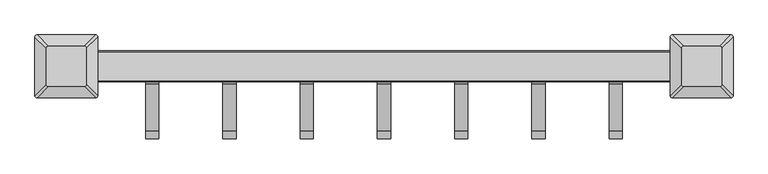
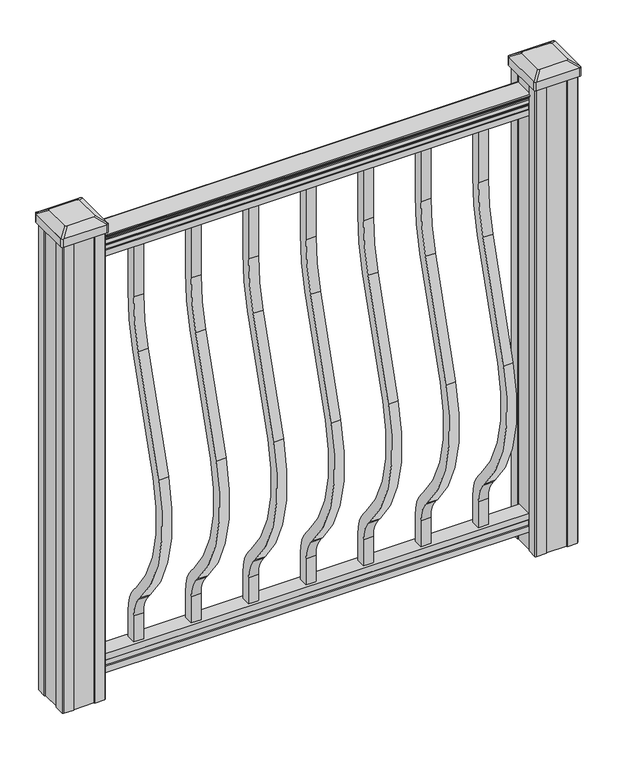
"""IFC4 building model written with IfcOpenShell, lengths in millimetres: proxy geometry."""

import ifcopenshell
import ifcopenshell.guid

model = None  # the IFC model being written
_history = None  # IfcOwnerHistory: only IFC2X3 demands one
_inside = {}  # id of a spatial element -> (the spatial element, [elements in it])
_under = {}  # id of a project, library or spatial element -> (it, [spatial elements below it])
_declared = {}  # id of a project -> (the project, [libraries it declares])
_typed = {}  # id of a type object -> (the type object, [elements of that type])
_made_of = {}  # id of a material, layer set ... -> (it, [elements and type objects made of it])


def new_model(schema):
    """Start an empty IFC model of exactly this schema.

    Asked for "IFC4X3", IfcOpenShell would pick the latest addendum, in which some entities
    have other attributes; the version numbers below select the first issue.
    IFC2X3 requires an IfcOwnerHistory on every rooted entity: one is made here for all.
    """
    global model, _history
    if schema == "IFC4X3":
        model = ifcopenshell.file(schema_version=(4, 3, 0, 0))
    else:
        model = ifcopenshell.file(schema=schema)
    _inside.clear()
    _under.clear()
    _declared.clear()
    _typed.clear()
    _made_of.clear()
    _history = None
    if model.schema == "IFC2X3":
        org = make("IfcOrganization", Name="unknown")
        user = make(
            "IfcPersonAndOrganization",
            ThePerson=make("IfcPerson", FamilyName="unknown"),
            TheOrganization=org,
        )
        app = make(
            "IfcApplication",
            ApplicationDeveloper=org,
            Version="unknown",
            ApplicationFullName="unknown",
            ApplicationIdentifier="unknown",
        )
        _history = make(
            "IfcOwnerHistory",
            OwningUser=user,
            OwningApplication=app,
            ChangeAction="ADDED",
            CreationDate=0,
        )
    return model


def make(cls, **values):
    """One entity of the class cls with the attributes given. An attribute that is None is left unset."""
    return model.create_entity(
        cls, **{name: value for name, value in values.items() if value is not None}
    )


def rooted(cls, **values):
    """An entity with a GlobalId (a new one), such as an element, a storey or a relation."""
    return make(cls, GlobalId=ifcopenshell.guid.new(), OwnerHistory=_history, **values)


def si_unit(unit_type, name, prefix=None):
    """IfcSIUnit, for example si_unit("LENGTHUNIT", "METRE", prefix="MILLI")."""
    return make("IfcSIUnit", UnitType=unit_type, Prefix=prefix, Name=name)


def assignment(units):
    """IfcUnitAssignment: the units of a project."""
    return None if units is None else make("IfcUnitAssignment", Units=units)


def point(xyz):
    """IfcCartesianPoint."""
    return None if xyz is None else make("IfcCartesianPoint", Coordinates=xyz)


def direction(xyz):
    """IfcDirection."""
    return None if xyz is None else make("IfcDirection", DirectionRatios=xyz)


def frame(location, z_axis=None, x_axis=None):
    """IfcAxis2Placement3D, a coordinate frame: its origin and axes. An axis left out is left unset."""
    return make(
        "IfcAxis2Placement3D",
        Location=point(location),
        Axis=direction(z_axis),
        RefDirection=direction(x_axis),
    )


def frame_2d(location, x_axis=None):
    """IfcAxis2Placement2D, a coordinate frame in the plane: its origin and x axis."""
    return make(
        "IfcAxis2Placement2D", Location=point(location), RefDirection=direction(x_axis)
    )


def origin():
    """The frame at (0, 0, 0) with its axes left unset."""
    return frame((0.0, 0.0, 0.0))


def place(relative_to, where):
    """IfcLocalPlacement: puts the frame where relative to a parent placement (None: the world)."""
    return make(
        "IfcLocalPlacement", PlacementRelTo=relative_to, RelativePlacement=where
    )


def context(
    kind, dimensions, precision=None, world=None, true_north=None, identifier=None
):
    """IfcGeometricRepresentationContext, for example the 3D "Model" context."""
    return make(
        "IfcGeometricRepresentationContext",
        ContextIdentifier=identifier,
        ContextType=kind,
        CoordinateSpaceDimension=dimensions,
        Precision=precision,
        WorldCoordinateSystem=world,
        TrueNorth=true_north,
    )


def project(units=None, contexts=None):
    """IfcProject with its units and contexts."""
    return rooted(
        "IfcProject",
        Name="project",
        RepresentationContexts=contexts,
        UnitsInContext=assignment(units),
    )


def spatial(cls, under=None, at=None, **own):
    """A site, building, storey or space (cls), placed at a placement, below another one or the project."""
    s = rooted(cls, ObjectPlacement=at, **own)
    if under is not None:
        _under.setdefault(under.id(), (under, []))[1].append(s)
    return s


def polyline(points):
    """IfcPolyline through the points."""
    return make("IfcPolyline", Points=[point(p) for p in points])


def circle_curve(where, radius):
    """IfcCircle in the frame where."""
    return make("IfcCircle", Position=where, Radius=radius)


def trimmed(basis, trim1, trim2, sense, master):
    """IfcTrimmedCurve: the piece of a basis curve between two trims."""
    return make(
        "IfcTrimmedCurve",
        BasisCurve=basis,
        Trim1=trim1,
        Trim2=trim2,
        SenseAgreement=sense,
        MasterRepresentation=master,
    )


def segment(curve, same_sense, transition):
    """IfcCompositeCurveSegment."""
    return make(
        "IfcCompositeCurveSegment",
        Transition=transition,
        SameSense=same_sense,
        ParentCurve=curve,
    )


def composite_curve(segments, self_intersect=None):
    """IfcCompositeCurve: segments joined end to end."""
    return make("IfcCompositeCurve", Segments=segments, SelfIntersect=self_intersect)


def outline(outer, holes=None, kind="AREA"):
    """IfcArbitraryClosedProfileDef: a profile drawn as a closed curve; with holes, ...WithVoids."""
    if holes is None:
        return make("IfcArbitraryClosedProfileDef", ProfileType=kind, OuterCurve=outer)
    return make(
        "IfcArbitraryProfileDefWithVoids",
        ProfileType=kind,
        OuterCurve=outer,
        InnerCurves=holes,
    )


def extrude(swept, where, along, depth):
    """IfcExtrudedAreaSolid: the profile swept, set in the frame where, extruded along a direction by depth."""
    return make(
        "IfcExtrudedAreaSolid",
        SweptArea=swept,
        Position=where,
        ExtrudedDirection=direction(along),
        Depth=depth,
    )


def shape(context_of_items, identifier, shape_type, items):
    """IfcShapeRepresentation: the items that make up one representation, for example the "Body"."""
    return make(
        "IfcShapeRepresentation",
        ContextOfItems=context_of_items,
        RepresentationIdentifier=identifier,
        RepresentationType=shape_type,
        Items=items,
    )


def source(mapping_origin, context_of_items, identifier, shape_type, items):
    """IfcRepresentationMap: a shape defined once, which mapped items show again and again."""
    return make(
        "IfcRepresentationMap",
        MappingOrigin=mapping_origin,
        MappedRepresentation=shape(context_of_items, identifier, shape_type, items),
    )


def transform(
    local_origin,
    x_axis=None,
    y_axis=None,
    z_axis=None,
    scale=None,
    scale2=None,
    scale3=None,
    uniform=True,
):
    """IfcCartesianTransformationOperator3D, or its non-uniform kind. x_axis, y_axis, z_axis: its Axis1, 2, 3."""
    if uniform:
        return make(
            "IfcCartesianTransformationOperator3D",
            Axis1=direction(x_axis),
            Axis2=direction(y_axis),
            LocalOrigin=point(local_origin),
            Scale=scale,
            Axis3=direction(z_axis),
        )
    return make(
        "IfcCartesianTransformationOperator3DnonUniform",
        Axis1=direction(x_axis),
        Axis2=direction(y_axis),
        LocalOrigin=point(local_origin),
        Scale=scale,
        Axis3=direction(z_axis),
        Scale2=scale2,
        Scale3=scale3,
    )


def mapped(mapping_source, mapping_target):
    """IfcMappedItem: shows the shape of a source again, moved by a transform."""
    return make(
        "IfcMappedItem", MappingSource=mapping_source, MappingTarget=mapping_target
    )


def made_of(thing, what):
    """Note that an element or type object is made of a material, layer set ...; save() writes the relation."""
    if what is not None:
        _made_of.setdefault(what.id(), (what, []))[1].append(thing)
    return thing


def element(
    cls,
    number,
    at=None,
    inside=None,
    cuts=None,
    type_object=None,
    material=None,
    context=None,
    identifier="Body",
    shape_type=None,
    held_by="IfcProductDefinitionShape",
    body=None,
    shapes=None,
    **own,
):
    """One element of the class cls, such as IfcWall. Its Tag is "e" and its number.

    at: its placement. inside: the storey or other place that contains it. cuts: it is an
    opening in that element (IfcRelVoidsElement). A single representation is given by context,
    identifier, shape_type and body (its items); several are given by shapes. held_by: the class
    of the entity that holds the representations. save() writes the other relations.
    """
    e = rooted(cls, Tag="e%d" % number, ObjectPlacement=at, **own)
    if body is not None:
        shapes = [shape(context, identifier, shape_type, body)]
    if shapes is not None:
        e.Representation = make(held_by, Representations=shapes)
    if inside is not None:
        _inside.setdefault(inside.id(), (inside, []))[1].append(e)
    if cuts is not None:
        rooted(
            "IfcRelVoidsElement", RelatingBuildingElement=cuts, RelatedOpeningElement=e
        )
    if type_object is not None:
        _typed.setdefault(type_object.id(), (type_object, []))[1].append(e)
    return made_of(e, material)


def aggregate(whole, parts):
    """IfcRelAggregates: a whole, such as a stair, and the parts it consists of."""
    return rooted("IfcRelAggregates", RelatingObject=whole, RelatedObjects=parts)


def save(model, path):
    """Write the relations noted so far, then the file.

    IfcRelAggregates (storeys below a building ...), IfcRelContainedInSpatialStructure (elements
    in a storey), IfcRelDefinesByType, IfcRelAssociatesMaterial and IfcRelDeclares: one each for
    every whole, place, type object, material and project.
    """
    for whole, parts in _under.values():
        aggregate(whole, parts)
    for where, things in _inside.values():
        rooted(
            "IfcRelContainedInSpatialStructure",
            RelatedElements=things,
            RelatingStructure=where,
        )
    for kind, things in _typed.values():
        rooted("IfcRelDefinesByType", RelatedObjects=things, RelatingType=kind)
    for what, things in _made_of.values():
        rooted("IfcRelAssociatesMaterial", RelatedObjects=things, RelatingMaterial=what)
    for by, libraries in _declared.values():
        rooted("IfcRelDeclares", RelatingContext=by, RelatedDefinitions=libraries)
    model.write(path)


def plane_surface(at):
    """IfcPlane: the flat surface through the origin of the frame at, square to its z axis."""
    return make("IfcPlane", Position=at)


def extruded_surface(curve, direction_of_extrusion, depth):
    """IfcSurfaceOfLinearExtrusion: the curve pushed along a direction by depth."""
    return make(
        "IfcSurfaceOfLinearExtrusion",
        SweptCurve=make("IfcArbitraryOpenProfileDef", ProfileType="CURVE", Curve=curve),
        ExtrudedDirection=direction(direction_of_extrusion),
        Depth=depth,
    )


def advanced_brep(points, edges, surfaces, faces):
    """IfcAdvancedBrep: a solid bounded by faces that lie on surfaces and meet in shared edges.

    An edge is (start, end): straight between two places in points (the first is 0);
    or (start, end, curve); or (start, end, curve, False) where it runs against its curve.
    A face is (place in surfaces, loops), or (place, loops, False) where it looks against
    its surface's normal. A loop lists edges by number (the first is 1), with a minus sign
    where the edge is run from its end to its start. The first loop is the outer one.
    """
    corners = [point(p) for p in points]
    vertices = [make("IfcVertexPoint", VertexGeometry=c) for c in corners]
    made = []
    for start, end, *more in edges:
        made.append(
            make(
                "IfcEdgeCurve",
                EdgeStart=vertices[start],
                EdgeEnd=vertices[end],
                EdgeGeometry=more[0] if more else make("IfcPolyline", Points=[corners[start], corners[end]]),
                SameSense=more[1] if len(more) > 1 else True,
            )
        )
    hull = []
    for where, loops, *sense in faces:
        bounds = []
        for j, loop in enumerate(loops):
            ring = [make("IfcOrientedEdge", EdgeElement=made[abs(k) - 1], Orientation=k > 0) for k in loop]
            bounds.append(
                make(
                    "IfcFaceOuterBound" if j == 0 else "IfcFaceBound",
                    Bound=make("IfcEdgeLoop", EdgeList=ring),
                    Orientation=True,
                )
            )
        hull.append(make("IfcAdvancedFace", Bounds=bounds, FaceSurface=surfaces[where], SameSense=sense[0] if sense else True))
    return make("IfcAdvancedBrep", Outer=make("IfcClosedShell", CfsFaces=hull))


def specialty_equipment_578fed3c(model_context):
    return source(origin(), model_context, "Body", "SolidModel", [
        extrude(outline(composite_curve([segment(polyline([(9.525, 914.4), (9.525, 806.73216)]), True, "CONTINUOUS"), segment(trimmed(circle_curve(frame_2d((-360.0, 806.73216)), 369.525), [point((9.525, 806.73216))], [point((-6.6214851, 698.6935058))], False, "CARTESIAN"), True, "CONTINUOUS"), segment(polyline([(-6.6214851, 698.6935058), (-74.4487629, 476.8404766)]), True, "CONTINUOUS"), segment(trimmed(circle_curve(frame_2d((184.207766, 397.7612397)), 270.475), [point((-74.4487629, 476.8404766))], [point((-17.4747286, 217.5366659))], True, "CARTESIAN"), True, "CONTINUOUS"), segment(polyline([(-17.4747286, 217.5366659), (-11.9730553, 211.3799518)]), True, "CONTINUOUS"), segment(trimmed(circle_curve(frame_2d((-75.0, 155.0587313)), 84.525), [point((-11.9730553, 211.3799518))], [point((9.525, 155.0587313))], False, "CARTESIAN"), True, "CONTINUOUS"), segment(polyline([(9.525, 155.0587313), (9.525, 101.6), (-9.525, 101.6), (-9.525, 155.0587313)]), True, "CONTINUOUS"), segment(trimmed(circle_curve(frame_2d((-75.0, 155.0587313)), 65.475), [point((-9.525, 155.0587313))], [point((-26.1778858, 198.686438))], True, "CARTESIAN"), True, "CONTINUOUS"), segment(polyline([(-26.1778858, 198.686438), (-31.6795591, 204.8431522)]), True, "CONTINUOUS"), segment(trimmed(circle_curve(frame_2d((184.207766, 397.7612397)), 289.525), [point((-31.6795591, 204.8431522))], [point((-92.6663685, 482.4101576))], False, "CARTESIAN"), True, "CONTINUOUS"), segment(polyline([(-92.6663685, 482.4101576), (-24.8390907, 704.2631868)]), True, "CONTINUOUS"), segment(trimmed(circle_curve(frame_2d((-360.0, 806.73216)), 350.475), [point((-24.8390907, 704.2631868))], [point((-9.525, 806.73216))], True, "CARTESIAN"), True, "CONTINUOUS"), segment(polyline([(-9.525, 806.73216), (-9.525, 914.4), (9.525, 914.4)]), True, "CONTINUOUS")], self_intersect=False)), frame((212.725, 0.0, 0.0), z_axis=(1.0, 0.0, 0.0), x_axis=(0.0, 1.0, 0.0)), (0.0, 0.0, 1.0), 19.05),
        extrude(outline(composite_curve([segment(polyline([(9.525, 914.4), (9.525, 806.73216)]), True, "CONTINUOUS"), segment(trimmed(circle_curve(frame_2d((-360.0, 806.73216)), 369.525), [point((9.525, 806.73216))], [point((-6.6214851, 698.6935058))], False, "CARTESIAN"), True, "CONTINUOUS"), segment(polyline([(-6.6214851, 698.6935058), (-74.4487629, 476.8404766)]), True, "CONTINUOUS"), segment(trimmed(circle_curve(frame_2d((184.207766, 397.7612397)), 270.475), [point((-74.4487629, 476.8404766))], [point((-17.4747286, 217.5366659))], True, "CARTESIAN"), True, "CONTINUOUS"), segment(polyline([(-17.4747286, 217.5366659), (-11.9730553, 211.3799518)]), True, "CONTINUOUS"), segment(trimmed(circle_curve(frame_2d((-75.0, 155.0587313)), 84.525), [point((-11.9730553, 211.3799518))], [point((9.525, 155.0587313))], False, "CARTESIAN"), True, "CONTINUOUS"), segment(polyline([(9.525, 155.0587313), (9.525, 101.6), (-9.525, 101.6), (-9.525, 155.0587313)]), True, "CONTINUOUS"), segment(trimmed(circle_curve(frame_2d((-75.0, 155.0587313)), 65.475), [point((-9.525, 155.0587313))], [point((-26.1778858, 198.686438))], True, "CARTESIAN"), True, "CONTINUOUS"), segment(polyline([(-26.1778858, 198.686438), (-31.6795591, 204.8431522)]), True, "CONTINUOUS"), segment(trimmed(circle_curve(frame_2d((184.207766, 397.7612397)), 289.525), [point((-31.6795591, 204.8431522))], [point((-92.6663685, 482.4101576))], False, "CARTESIAN"), True, "CONTINUOUS"), segment(polyline([(-92.6663685, 482.4101576), (-24.8390907, 704.2631868)]), True, "CONTINUOUS"), segment(trimmed(circle_curve(frame_2d((-360.0, 806.73216)), 350.475), [point((-24.8390907, 704.2631868))], [point((-9.525, 806.73216))], True, "CARTESIAN"), True, "CONTINUOUS"), segment(polyline([(-9.525, 806.73216), (-9.525, 914.4), (9.525, 914.4)]), True, "CONTINUOUS")], self_intersect=False)), frame((101.6, 0.0, 0.0), z_axis=(1.0, 0.0, 0.0), x_axis=(0.0, 1.0, 0.0)), (0.0, 0.0, 1.0), 19.05),
        extrude(outline(composite_curve([segment(polyline([(9.525, 914.4), (9.525, 806.73216)]), True, "CONTINUOUS"), segment(trimmed(circle_curve(frame_2d((-360.0, 806.73216)), 369.525), [point((9.525, 806.73216))], [point((-6.6214851, 698.6935058))], False, "CARTESIAN"), True, "CONTINUOUS"), segment(polyline([(-6.6214851, 698.6935058), (-74.4487629, 476.8404766)]), True, "CONTINUOUS"), segment(trimmed(circle_curve(frame_2d((184.207766, 397.7612397)), 270.475), [point((-74.4487629, 476.8404766))], [point((-17.4747286, 217.5366659))], True, "CARTESIAN"), True, "CONTINUOUS"), segment(polyline([(-17.4747286, 217.5366659), (-11.9730553, 211.3799518)]), True, "CONTINUOUS"), segment(trimmed(circle_curve(frame_2d((-75.0, 155.0587313)), 84.525), [point((-11.9730553, 211.3799518))], [point((9.525, 155.0587313))], False, "CARTESIAN"), True, "CONTINUOUS"), segment(polyline([(9.525, 155.0587313), (9.525, 101.6), (-9.525, 101.6), (-9.525, 155.0587313)]), True, "CONTINUOUS"), segment(trimmed(circle_curve(frame_2d((-75.0, 155.0587313)), 65.475), [point((-9.525, 155.0587313))], [point((-26.1778858, 198.686438))], True, "CARTESIAN"), True, "CONTINUOUS"), segment(polyline([(-26.1778858, 198.686438), (-31.6795591, 204.8431522)]), True, "CONTINUOUS"), segment(trimmed(circle_curve(frame_2d((184.207766, 397.7612397)), 289.525), [point((-31.6795591, 204.8431522))], [point((-92.6663685, 482.4101576))], False, "CARTESIAN"), True, "CONTINUOUS"), segment(polyline([(-92.6663685, 482.4101576), (-24.8390907, 704.2631868)]), True, "CONTINUOUS"), segment(trimmed(circle_curve(frame_2d((-360.0, 806.73216)), 350.475), [point((-24.8390907, 704.2631868))], [point((-9.525, 806.73216))], True, "CARTESIAN"), True, "CONTINUOUS"), segment(polyline([(-9.525, 806.73216), (-9.525, 914.4), (9.525, 914.4)]), True, "CONTINUOUS")], self_intersect=False)), frame((-9.525, 0.0, 0.0), z_axis=(1.0, 0.0, 0.0), x_axis=(0.0, 1.0, 0.0)), (0.0, 0.0, 1.0), 19.05),
        extrude(outline(composite_curve([segment(polyline([(9.525, 914.4), (9.525, 806.73216)]), True, "CONTINUOUS"), segment(trimmed(circle_curve(frame_2d((-360.0, 806.73216)), 369.525), [point((9.525, 806.73216))], [point((-6.6214851, 698.6935058))], False, "CARTESIAN"), True, "CONTINUOUS"), segment(polyline([(-6.6214851, 698.6935058), (-74.4487629, 476.8404766)]), True, "CONTINUOUS"), segment(trimmed(circle_curve(frame_2d((184.207766, 397.7612397)), 270.475), [point((-74.4487629, 476.8404766))], [point((-17.4747286, 217.5366659))], True, "CARTESIAN"), True, "CONTINUOUS"), segment(polyline([(-17.4747286, 217.5366659), (-11.9730553, 211.3799518)]), True, "CONTINUOUS"), segment(trimmed(circle_curve(frame_2d((-75.0, 155.0587313)), 84.525), [point((-11.9730553, 211.3799518))], [point((9.525, 155.0587313))], False, "CARTESIAN"), True, "CONTINUOUS"), segment(polyline([(9.525, 155.0587313), (9.525, 101.6), (-9.525, 101.6), (-9.525, 155.0587313)]), True, "CONTINUOUS"), segment(trimmed(circle_curve(frame_2d((-75.0, 155.0587313)), 65.475), [point((-9.525, 155.0587313))], [point((-26.1778858, 198.686438))], True, "CARTESIAN"), True, "CONTINUOUS"), segment(polyline([(-26.1778858, 198.686438), (-31.6795591, 204.8431522)]), True, "CONTINUOUS"), segment(trimmed(circle_curve(frame_2d((184.207766, 397.7612397)), 289.525), [point((-31.6795591, 204.8431522))], [point((-92.6663685, 482.4101576))], False, "CARTESIAN"), True, "CONTINUOUS"), segment(polyline([(-92.6663685, 482.4101576), (-24.8390907, 704.2631868)]), True, "CONTINUOUS"), segment(trimmed(circle_curve(frame_2d((-360.0, 806.73216)), 350.475), [point((-24.8390907, 704.2631868))], [point((-9.525, 806.73216))], True, "CARTESIAN"), True, "CONTINUOUS"), segment(polyline([(-9.525, 806.73216), (-9.525, 914.4), (9.525, 914.4)]), True, "CONTINUOUS")], self_intersect=False)), frame((-120.65, 0.0, 0.0), z_axis=(1.0, 0.0, 0.0), x_axis=(0.0, 1.0, 0.0)), (0.0, 0.0, 1.0), 19.05),
        extrude(outline(composite_curve([segment(polyline([(9.525, 914.4), (9.525, 806.73216)]), True, "CONTINUOUS"), segment(trimmed(circle_curve(frame_2d((-360.0, 806.73216)), 369.525), [point((9.525, 806.73216))], [point((-6.6214851, 698.6935058))], False, "CARTESIAN"), True, "CONTINUOUS"), segment(polyline([(-6.6214851, 698.6935058), (-74.4487629, 476.8404766)]), True, "CONTINUOUS"), segment(trimmed(circle_curve(frame_2d((184.207766, 397.7612397)), 270.475), [point((-74.4487629, 476.8404766))], [point((-17.4747286, 217.5366659))], True, "CARTESIAN"), True, "CONTINUOUS"), segment(polyline([(-17.4747286, 217.5366659), (-11.9730553, 211.3799518)]), True, "CONTINUOUS"), segment(trimmed(circle_curve(frame_2d((-75.0, 155.0587313)), 84.525), [point((-11.9730553, 211.3799518))], [point((9.525, 155.0587313))], False, "CARTESIAN"), True, "CONTINUOUS"), segment(polyline([(9.525, 155.0587313), (9.525, 101.6), (-9.525, 101.6), (-9.525, 155.0587313)]), True, "CONTINUOUS"), segment(trimmed(circle_curve(frame_2d((-75.0, 155.0587313)), 65.475), [point((-9.525, 155.0587313))], [point((-26.1778858, 198.686438))], True, "CARTESIAN"), True, "CONTINUOUS"), segment(polyline([(-26.1778858, 198.686438), (-31.6795591, 204.8431522)]), True, "CONTINUOUS"), segment(trimmed(circle_curve(frame_2d((184.207766, 397.7612397)), 289.525), [point((-31.6795591, 204.8431522))], [point((-92.6663685, 482.4101576))], False, "CARTESIAN"), True, "CONTINUOUS"), segment(polyline([(-92.6663685, 482.4101576), (-24.8390907, 704.2631868)]), True, "CONTINUOUS"), segment(trimmed(circle_curve(frame_2d((-360.0, 806.73216)), 350.475), [point((-24.8390907, 704.2631868))], [point((-9.525, 806.73216))], True, "CARTESIAN"), True, "CONTINUOUS"), segment(polyline([(-9.525, 806.73216), (-9.525, 914.4), (9.525, 914.4)]), True, "CONTINUOUS")], self_intersect=False)), frame((-231.775, 0.0, 0.0), z_axis=(1.0, 0.0, 0.0), x_axis=(0.0, 1.0, 0.0)), (0.0, 0.0, 1.0), 19.05),
        extrude(outline(composite_curve([segment(polyline([(9.525, 914.4), (9.525, 806.73216)]), True, "CONTINUOUS"), segment(trimmed(circle_curve(frame_2d((-360.0, 806.73216)), 369.525), [point((9.525, 806.73216))], [point((-6.6214851, 698.6935058))], False, "CARTESIAN"), True, "CONTINUOUS"), segment(polyline([(-6.6214851, 698.6935058), (-74.4487629, 476.8404766)]), True, "CONTINUOUS"), segment(trimmed(circle_curve(frame_2d((184.207766, 397.7612397)), 270.475), [point((-74.4487629, 476.8404766))], [point((-17.4747286, 217.5366659))], True, "CARTESIAN"), True, "CONTINUOUS"), segment(polyline([(-17.4747286, 217.5366659), (-11.9730553, 211.3799518)]), True, "CONTINUOUS"), segment(trimmed(circle_curve(frame_2d((-75.0, 155.0587313)), 84.525), [point((-11.9730553, 211.3799518))], [point((9.525, 155.0587313))], False, "CARTESIAN"), True, "CONTINUOUS"), segment(polyline([(9.525, 155.0587313), (9.525, 101.6), (-9.525, 101.6), (-9.525, 155.0587313)]), True, "CONTINUOUS"), segment(trimmed(circle_curve(frame_2d((-75.0, 155.0587313)), 65.475), [point((-9.525, 155.0587313))], [point((-26.1778858, 198.686438))], True, "CARTESIAN"), True, "CONTINUOUS"), segment(polyline([(-26.1778858, 198.686438), (-31.6795591, 204.8431522)]), True, "CONTINUOUS"), segment(trimmed(circle_curve(frame_2d((184.207766, 397.7612397)), 289.525), [point((-31.6795591, 204.8431522))], [point((-92.6663685, 482.4101576))], False, "CARTESIAN"), True, "CONTINUOUS"), segment(polyline([(-92.6663685, 482.4101576), (-24.8390907, 704.2631868)]), True, "CONTINUOUS"), segment(trimmed(circle_curve(frame_2d((-360.0, 806.73216)), 350.475), [point((-24.8390907, 704.2631868))], [point((-9.525, 806.73216))], True, "CARTESIAN"), True, "CONTINUOUS"), segment(polyline([(-9.525, 806.73216), (-9.525, 914.4), (9.525, 914.4)]), True, "CONTINUOUS")], self_intersect=False)), frame((323.85, 0.0, 0.0), z_axis=(1.0, 0.0, 0.0), x_axis=(0.0, 1.0, 0.0)), (0.0, 0.0, 1.0), 19.05),
        extrude(outline(composite_curve([segment(polyline([(9.525, 914.4), (9.525, 806.73216)]), True, "CONTINUOUS"), segment(trimmed(circle_curve(frame_2d((-360.0, 806.73216)), 369.525), [point((9.525, 806.73216))], [point((-6.6214851, 698.6935058))], False, "CARTESIAN"), True, "CONTINUOUS"), segment(polyline([(-6.6214851, 698.6935058), (-74.4487629, 476.8404766)]), True, "CONTINUOUS"), segment(trimmed(circle_curve(frame_2d((184.207766, 397.7612397)), 270.475), [point((-74.4487629, 476.8404766))], [point((-17.4747286, 217.5366659))], True, "CARTESIAN"), True, "CONTINUOUS"), segment(polyline([(-17.4747286, 217.5366659), (-11.9730553, 211.3799518)]), True, "CONTINUOUS"), segment(trimmed(circle_curve(frame_2d((-75.0, 155.0587313)), 84.525), [point((-11.9730553, 211.3799518))], [point((9.525, 155.0587313))], False, "CARTESIAN"), True, "CONTINUOUS"), segment(polyline([(9.525, 155.0587313), (9.525, 101.6), (-9.525, 101.6), (-9.525, 155.0587313)]), True, "CONTINUOUS"), segment(trimmed(circle_curve(frame_2d((-75.0, 155.0587313)), 65.475), [point((-9.525, 155.0587313))], [point((-26.1778858, 198.686438))], True, "CARTESIAN"), True, "CONTINUOUS"), segment(polyline([(-26.1778858, 198.686438), (-31.6795591, 204.8431522)]), True, "CONTINUOUS"), segment(trimmed(circle_curve(frame_2d((184.207766, 397.7612397)), 289.525), [point((-31.6795591, 204.8431522))], [point((-92.6663685, 482.4101576))], False, "CARTESIAN"), True, "CONTINUOUS"), segment(polyline([(-92.6663685, 482.4101576), (-24.8390907, 704.2631868)]), True, "CONTINUOUS"), segment(trimmed(circle_curve(frame_2d((-360.0, 806.73216)), 350.475), [point((-24.8390907, 704.2631868))], [point((-9.525, 806.73216))], True, "CARTESIAN"), True, "CONTINUOUS"), segment(polyline([(-9.525, 806.73216), (-9.525, 914.4), (9.525, 914.4)]), True, "CONTINUOUS")], self_intersect=False)), frame((-342.9, 0.0, 0.0), z_axis=(1.0, 0.0, 0.0), x_axis=(0.0, 1.0, 0.0)), (0.0, 0.0, 1.0), 19.05),
        extrude(outline(composite_curve([segment(polyline([(938.4043297, 17.4328287), (940.292412, 17.4328287)]), True, "CONTINUOUS"), segment(trimmed(circle_curve(frame_2d((946.0506383, 11.1180755)), 8.545951), [point((940.292412, 17.4328287))], [point((941.8546695, 18.563015))], False, "CARTESIAN"), True, "CONTINUOUS"), segment(trimmed(circle_curve(frame_2d((945.4636577, 11.5551384)), 7.882584), [point((941.8546695, 18.563015))], [point((949.0726458, 18.563015))], False, "CARTESIAN"), True, "CONTINUOUS"), segment(trimmed(circle_curve(frame_2d((951.3112527, 22.0684625)), 4.1592695), [point((949.0726458, 18.563015))], [point((951.5060812, 17.9137586))], True, "CARTESIAN"), True, "CONTINUOUS"), segment(trimmed(circle_curve(frame_2d((951.2508864, 23.3557691)), 5.4479907), [point((951.5060812, 17.9137586))], [point((955.8362083, 20.4137586))], True, "CARTESIAN"), True, "CONTINUOUS"), segment(trimmed(circle_curve(frame_2d((955.833395, 22.1226107)), 1.7088543), [point((955.8362083, 20.4137586))], [point((957.5157972, 21.8231011))], True, "CARTESIAN"), True, "CONTINUOUS"), segment(trimmed(circle_curve(frame_2d((958.6205318, 20.5057106)), 1.7192895), [point((957.5157972, 21.8231011))], [point((958.6205318, 22.2250001))], False, "CARTESIAN"), True, "CONTINUOUS"), segment(polyline([(958.6205318, 22.2250001), (959.9608158, 22.225)]), True, "CONTINUOUS"), segment(trimmed(circle_curve(frame_2d((959.9608158, 20.6715528)), 1.5534472), [point((959.9608158, 22.225))], [point((961.514263, 20.6715528))], False, "CARTESIAN"), True, "CONTINUOUS"), segment(polyline([(961.514263, 20.6715528), (961.514263, -20.6715528)]), True, "CONTINUOUS"), segment(trimmed(circle_curve(frame_2d((959.9608158, -20.6715528)), 1.5534472), [point((961.514263, -20.6715528))], [point((959.9608158, -22.225))], False, "CARTESIAN"), True, "CONTINUOUS"), segment(polyline([(959.9608158, -22.225), (958.6205318, -22.225)]), True, "CONTINUOUS"), segment(trimmed(circle_curve(frame_2d((958.6205318, -20.5057106)), 1.7192895), [point((958.6205318, -22.225))], [point((957.5157972, -21.8231011))], False, "CARTESIAN"), True, "CONTINUOUS"), segment(trimmed(circle_curve(frame_2d((955.833395, -22.1226107)), 1.7088543), [point((957.5157972, -21.8231011))], [point((955.8362083, -20.4137586))], True, "CARTESIAN"), True, "CONTINUOUS"), segment(trimmed(circle_curve(frame_2d((951.2508864, -23.3557691)), 5.4479907), [point((955.8362083, -20.4137586))], [point((951.5060812, -17.9137586))], True, "CARTESIAN"), True, "CONTINUOUS"), segment(trimmed(circle_curve(frame_2d((951.3112527, -22.0684625)), 4.1592695), [point((951.5060812, -17.9137586))], [point((949.0726458, -18.563015))], True, "CARTESIAN"), True, "CONTINUOUS"), segment(trimmed(circle_curve(frame_2d((945.4636577, -11.5551384)), 7.882584), [point((949.0726458, -18.563015))], [point((941.8546695, -18.563015))], False, "CARTESIAN"), True, "CONTINUOUS"), segment(trimmed(circle_curve(frame_2d((946.0506383, -11.1180755)), 8.545951), [point((941.8546695, -18.563015))], [point((940.292412, -17.4328287))], False, "CARTESIAN"), True, "CONTINUOUS"), segment(polyline([(940.292412, -17.4328287), (938.4043297, -17.4328287)]), True, "CONTINUOUS"), segment(trimmed(circle_curve(frame_2d((938.4043297, -16.1459144)), 1.2869144), [point((938.4043297, -17.4328287))], [point((938.4043297, -14.859))], False, "CARTESIAN"), True, "CONTINUOUS"), segment(polyline([(938.4043297, -14.859), (927.9048283, -14.859), (926.8888283, -15.875), (914.4, -15.875), (914.4, 15.875), (926.731013, 15.875), (927.747013, 14.859), (938.4043297, 14.859)]), True, "CONTINUOUS"), segment(trimmed(circle_curve(frame_2d((938.4043297, 16.1459144)), 1.2869144), [point((938.4043297, 14.859))], [point((938.4043297, 17.4328287))], False, "CARTESIAN"), True, "CONTINUOUS")], self_intersect=False)), frame((457.2, 0.0, 0.0), z_axis=(-1.0, 0.0, 0.0), x_axis=(0.0, 0.0, 1.0)), (0.0, 0.0, 1.0), 914.4),
        extrude(outline(polyline([(-15.9124869, 76.0541976), (-14.8964869, 77.3546183), (-14.8964869, 87.7141717), (-15.9124869, 89.0624492), (-15.9124869, 101.5958781), (15.8375131, 101.5958781), (15.8375131, 89.0458024), (14.8215131, 87.6975248), (14.8215131, 77.3858283), (15.8375131, 76.0375508), (15.8375131, 63.5), (-15.9124869, 63.5), (-15.9124869, 76.0541976)])), frame((-457.2, 0.0, 0.0), z_axis=(1.0, 0.0, 0.0), x_axis=(0.0, 1.0, 0.0)), (0.0, 0.0, 1.0), 914.4),
        advanced_brep(
        [(431.403125, 28.971875, 1012.825), (428.228125, 25.796875, 1012.825), (428.228125, -25.796875, 1012.825), (431.403125, -28.971875, 1012.825), (482.996875, -28.971875, 1012.825), (486.171875, -25.796875, 1012.825), (486.171875, 25.796875, 1012.825), (482.996875, 28.971875, 1012.825), (415.13125, 45.24375, 1001.522), (499.26875, 45.24375, 1001.522), (502.44375, 42.06875, 1001.522), (502.44375, -42.06875, 1001.522), (499.26875, -45.24375, 1001.522), (415.13125, -45.24375, 1001.522), (411.95625, -42.06875, 1001.522), (411.95625, 42.06875, 1001.522)],
        [
            (0, 1, circle_curve(frame((431.403125, 25.796875, 1012.825), z_axis=(0.0, 0.0, 1.0), x_axis=(0.0, -1.0, 0.0)), 3.175)),
            (1, 2),
            (2, 3, circle_curve(frame((431.403125, -25.796875, 1012.825), z_axis=(0.0, 0.0, 1.0), x_axis=(0.0, -1.0, 0.0)), 3.175)),
            (3, 4),
            (4, 5, circle_curve(frame((482.996875, -25.796875, 1012.825), z_axis=(0.0, 0.0, 1.0), x_axis=(0.0, -1.0, 0.0)), 3.175)),
            (5, 6),
            (6, 7, circle_curve(frame((482.996875, 25.796875, 1012.825), z_axis=(0.0, 0.0, 1.0), x_axis=(0.0, -1.0, 0.0)), 3.175)),
            (7, 0),
            (8, 9),
            (9, 10, circle_curve(frame((499.26875, 42.06875, 1001.522), z_axis=(0.0, 0.0, -1.0), x_axis=(0.0, -1.0, 0.0)), 3.175)),
            (10, 11),
            (11, 12, circle_curve(frame((499.26875, -42.06875, 1001.522), z_axis=(0.0, 0.0, -1.0), x_axis=(0.0, -1.0, 0.0)), 3.175)),
            (12, 13),
            (13, 14, circle_curve(frame((415.13125, -42.06875, 1001.522), z_axis=(0.0, 0.0, -1.0), x_axis=(0.0, -1.0, 0.0)), 3.175)),
            (14, 15),
            (15, 8, circle_curve(frame((415.13125, 42.06875, 1001.522), z_axis=(0.0, 0.0, -1.0), x_axis=(0.0, -1.0, 0.0)), 3.175)),
            (15, 1),
            (0, 8),
            (14, 2),
            (13, 3),
            (12, 4),
            (11, 5),
            (10, 6),
            (9, 7),
        ],
        [
            plane_surface(frame((457.2, 0.0, 1012.825), z_axis=(0.0, 0.0, 1.0), x_axis=(-1.0, 0.0, 0.0))),
            plane_surface(frame((457.2, 0.0, 1001.522), z_axis=(0.0, 0.0, -1.0), x_axis=(-1.0, 0.0, 0.0))),
            extruded_surface(trimmed(circle_curve(frame((415.13125, 42.06875, 1001.522), z_axis=(0.0, 0.0, 1.0), x_axis=(0.0, -1.0, 0.0)), 3.175), [point((415.13125, 45.24375, 1001.522))], [point((411.95625, 42.06875, 1001.522))], True, "CARTESIAN"), (16.271874999999966, -16.271875, 11.302999999999997), 25.63797263886614),
            plane_surface(frame((411.95625, 0.0, 1001.522), z_axis=(-0.5705009161540779, 0.0, 0.8212969649690408), x_axis=(0.0, -1.0, 0.0))),
            extruded_surface(trimmed(circle_curve(frame((415.13125, -42.06875, 1001.522), z_axis=(0.0, 0.0, 1.0), x_axis=(0.0, -1.0, 0.0)), 3.175), [point((411.95625, -42.06875, 1001.522))], [point((415.13125, -45.24375, 1001.522))], True, "CARTESIAN"), (16.271874999999966, 16.271875, 11.302999999999997), 25.63797263886614),
            plane_surface(frame((457.2, -45.24375, 1001.522), z_axis=(0.0, -0.5705009161540291, 0.8212969649690747), x_axis=(1.0, 0.0, 0.0))),
            extruded_surface(trimmed(circle_curve(frame((499.26875, -42.06875, 1001.522), z_axis=(0.0, 0.0, 1.0), x_axis=(0.0, -1.0, 0.0)), 3.175), [point((499.26875, -45.24375, 1001.522))], [point((502.44375, -42.06875, 1001.522))], True, "CARTESIAN"), (-16.271875000000023, 16.271875, 11.302999999999997), 25.637972638866177),
            plane_surface(frame((502.44375, 0.0, 1001.522), z_axis=(0.5705009161540141, 0.0, 0.8212969649690851), x_axis=(0.0, 1.0, 0.0))),
            extruded_surface(trimmed(circle_curve(frame((499.26875, 42.06875, 1001.522), z_axis=(0.0, 0.0, 1.0), x_axis=(0.0, -1.0, 0.0)), 3.175), [point((502.44375, 42.06875, 1001.522))], [point((499.26875, 45.24375, 1001.522))], True, "CARTESIAN"), (-16.271875000000023, -16.271875, 11.302999999999997), 25.637972638866177),
            plane_surface(frame((457.2, 45.24375, 1001.522), z_axis=(0.0, 0.570500916154034, 0.8212969649690713), x_axis=(-1.0, 0.0, 0.0))),
        ],
        [
            (0, [[1, 2, 3, 4, 5, 6, 7, 8]]),
            (1, [[9, 10, 11, 12, 13, 14, 15, 16]]),
            (2, [[-16, 17, -1, 18]]),
            (3, [[-15, 19, -2, -17]]),
            (4, [[-14, 20, -3, -19]]),
            (5, [[-13, 21, -4, -20]]),
            (6, [[-12, 22, -5, -21]]),
            (7, [[-11, 23, -6, -22]]),
            (8, [[-10, 24, -7, -23]]),
            (9, [[-9, -18, -8, -24]]),
        ],
    ),
        extrude(outline(composite_curve([segment(polyline([(415.13125, 45.24375), (499.26875, 45.24375)]), True, "CONTINUOUS"), segment(trimmed(circle_curve(frame_2d((499.26875, 42.06875)), 3.175), [point((499.26875, 45.24375))], [point((502.44375, 42.06875))], False, "CARTESIAN"), True, "CONTINUOUS"), segment(polyline([(502.44375, 42.06875), (502.44375, -42.06875)]), True, "CONTINUOUS"), segment(trimmed(circle_curve(frame_2d((499.26875, -42.06875)), 3.175), [point((502.44375, -42.06875))], [point((499.26875, -45.24375))], False, "CARTESIAN"), True, "CONTINUOUS"), segment(polyline([(499.26875, -45.24375), (415.13125, -45.24375)]), True, "CONTINUOUS"), segment(trimmed(circle_curve(frame_2d((415.13125, -42.06875)), 3.175), [point((415.13125, -45.24375))], [point((411.95625, -42.06875))], False, "CARTESIAN"), True, "CONTINUOUS"), segment(polyline([(411.95625, -42.06875), (411.95625, 42.06875)]), True, "CONTINUOUS"), segment(trimmed(circle_curve(frame_2d((415.13125, 42.06875)), 3.175), [point((411.95625, 42.06875))], [point((415.13125, 45.24375))], False, "CARTESIAN"), True, "CONTINUOUS")], self_intersect=False)), frame((0.0, 0.0, 984.25), z_axis=(0.0, 0.0, 1.0), x_axis=(1.0, 0.0, 0.0)), (0.0, 0.0, 1.0), 17.272),
        extrude(outline(polyline([(417.5125, 41.275), (437.134, 41.275), (437.896, 39.6875), (476.504, 39.6875), (477.266, 41.275), (496.8875, 41.275), (498.475, 39.6875), (498.475, 20.066), (496.8875, 19.304), (496.8875, -19.304), (498.475, -20.066), (498.475, -39.6875), (496.8875, -41.275), (477.266, -41.275), (476.504, -39.6875), (437.896, -39.6875), (437.134, -41.275), (417.5125, -41.275), (415.925, -39.6875), (415.925, -20.066), (417.5125, -19.304), (417.5125, 19.304), (415.925, 20.066), (415.925, 39.6875), (417.5125, 41.275)])), frame((0.0, 0.0, 28.575), z_axis=(0.0, 0.0, 1.0), x_axis=(1.0, 0.0, 0.0)), (0.0, 0.0, 1.0), 955.675),
        advanced_brep(
        [(-482.996875, 28.971875, 1012.825), (-486.171875, 25.796875, 1012.825), (-486.171875, -25.796875, 1012.825), (-482.996875, -28.971875, 1012.825), (-431.403125, -28.971875, 1012.825), (-428.228125, -25.796875, 1012.825), (-428.228125, 25.796875, 1012.825), (-431.403125, 28.971875, 1012.825), (-499.26875, 45.24375, 1001.522), (-415.13125, 45.24375, 1001.522), (-411.95625, 42.06875, 1001.522), (-411.95625, -42.06875, 1001.522), (-415.13125, -45.24375, 1001.522), (-499.26875, -45.24375, 1001.522), (-502.44375, -42.06875, 1001.522), (-502.44375, 42.06875, 1001.522)],
        [
            (0, 1, circle_curve(frame((-482.996875, 25.796875, 1012.825), z_axis=(0.0, 0.0, 1.0), x_axis=(0.0, -1.0, 0.0)), 3.175)),
            (1, 2),
            (2, 3, circle_curve(frame((-482.996875, -25.796875, 1012.825), z_axis=(0.0, 0.0, 1.0), x_axis=(0.0, -1.0, 0.0)), 3.175)),
            (3, 4),
            (4, 5, circle_curve(frame((-431.403125, -25.796875, 1012.825), z_axis=(0.0, 0.0, 1.0), x_axis=(0.0, -1.0, 0.0)), 3.175)),
            (5, 6),
            (6, 7, circle_curve(frame((-431.403125, 25.796875, 1012.825), z_axis=(0.0, 0.0, 1.0), x_axis=(0.0, -1.0, 0.0)), 3.175)),
            (7, 0),
            (8, 9),
            (9, 10, circle_curve(frame((-415.13125, 42.06875, 1001.522), z_axis=(0.0, 0.0, -1.0), x_axis=(0.0, -1.0, 0.0)), 3.175)),
            (10, 11),
            (11, 12, circle_curve(frame((-415.13125, -42.06875, 1001.522), z_axis=(0.0, 0.0, -1.0), x_axis=(0.0, -1.0, 0.0)), 3.175)),
            (12, 13),
            (13, 14, circle_curve(frame((-499.26875, -42.06875, 1001.522), z_axis=(0.0, 0.0, -1.0), x_axis=(0.0, -1.0, 0.0)), 3.175)),
            (14, 15),
            (15, 8, circle_curve(frame((-499.26875, 42.06875, 1001.522), z_axis=(0.0, 0.0, -1.0), x_axis=(0.0, -1.0, 0.0)), 3.175)),
            (15, 1),
            (0, 8),
            (14, 2),
            (13, 3),
            (12, 4),
            (11, 5),
            (10, 6),
            (9, 7),
        ],
        [
            plane_surface(frame((-457.2, 0.0, 1012.825), z_axis=(0.0, 0.0, 1.0), x_axis=(-1.0, 0.0, 0.0))),
            plane_surface(frame((-457.2, 0.0, 1001.522), z_axis=(0.0, 0.0, -1.0), x_axis=(-1.0, 0.0, 0.0))),
            extruded_surface(trimmed(circle_curve(frame((-499.26875, 42.06875, 1001.522), z_axis=(0.0, 0.0, 1.0), x_axis=(0.0, -1.0, 0.0)), 3.175), [point((-499.26875, 45.24375, 1001.522))], [point((-502.44375, 42.06875, 1001.522))], True, "CARTESIAN"), (16.271875000000023, -16.271875, 11.302999999999997), 25.637972638866177),
            plane_surface(frame((-502.44375, 0.0, 1001.522), z_axis=(-0.5705009161540779, 0.0, 0.8212969649690408), x_axis=(0.0, -1.0, 0.0))),
            extruded_surface(trimmed(circle_curve(frame((-499.26875, -42.06875, 1001.522), z_axis=(0.0, 0.0, 1.0), x_axis=(0.0, -1.0, 0.0)), 3.175), [point((-502.44375, -42.06875, 1001.522))], [point((-499.26875, -45.24375, 1001.522))], True, "CARTESIAN"), (16.271875000000023, 16.271875, 11.302999999999997), 25.637972638866177),
            plane_surface(frame((-457.2, -45.24375, 1001.522), z_axis=(0.0, -0.5705009161540291, 0.8212969649690747), x_axis=(1.0, 0.0, 0.0))),
            extruded_surface(trimmed(circle_curve(frame((-415.13125, -42.06875, 1001.522), z_axis=(0.0, 0.0, 1.0), x_axis=(0.0, -1.0, 0.0)), 3.175), [point((-415.13125, -45.24375, 1001.522))], [point((-411.95625, -42.06875, 1001.522))], True, "CARTESIAN"), (-16.271874999999966, 16.271875, 11.302999999999997), 25.63797263886614),
            plane_surface(frame((-411.95625, 0.0, 1001.522), z_axis=(0.5705009161540141, 0.0, 0.8212969649690851), x_axis=(0.0, 1.0, 0.0))),
            extruded_surface(trimmed(circle_curve(frame((-415.13125, 42.06875, 1001.522), z_axis=(0.0, 0.0, 1.0), x_axis=(0.0, -1.0, 0.0)), 3.175), [point((-411.95625, 42.06875, 1001.522))], [point((-415.13125, 45.24375, 1001.522))], True, "CARTESIAN"), (-16.271874999999966, -16.271875, 11.302999999999997), 25.63797263886614),
            plane_surface(frame((-457.2, 45.24375, 1001.522), z_axis=(0.0, 0.570500916154034, 0.8212969649690713), x_axis=(-1.0, 0.0, 0.0))),
        ],
        [
            (0, [[1, 2, 3, 4, 5, 6, 7, 8]]),
            (1, [[9, 10, 11, 12, 13, 14, 15, 16]]),
            (2, [[-16, 17, -1, 18]]),
            (3, [[-15, 19, -2, -17]]),
            (4, [[-14, 20, -3, -19]]),
            (5, [[-13, 21, -4, -20]]),
            (6, [[-12, 22, -5, -21]]),
            (7, [[-11, 23, -6, -22]]),
            (8, [[-10, 24, -7, -23]]),
            (9, [[-9, -18, -8, -24]]),
        ],
    ),
        extrude(outline(composite_curve([segment(polyline([(-499.26875, 45.24375), (-415.13125, 45.24375)]), True, "CONTINUOUS"), segment(trimmed(circle_curve(frame_2d((-415.13125, 42.06875)), 3.175), [point((-415.13125, 45.24375))], [point((-411.95625, 42.06875))], False, "CARTESIAN"), True, "CONTINUOUS"), segment(polyline([(-411.95625, 42.06875), (-411.95625, -42.06875)]), True, "CONTINUOUS"), segment(trimmed(circle_curve(frame_2d((-415.13125, -42.06875)), 3.175), [point((-411.95625, -42.06875))], [point((-415.13125, -45.24375))], False, "CARTESIAN"), True, "CONTINUOUS"), segment(polyline([(-415.13125, -45.24375), (-499.26875, -45.24375)]), True, "CONTINUOUS"), segment(trimmed(circle_curve(frame_2d((-499.26875, -42.06875)), 3.175), [point((-499.26875, -45.24375))], [point((-502.44375, -42.06875))], False, "CARTESIAN"), True, "CONTINUOUS"), segment(polyline([(-502.44375, -42.06875), (-502.44375, 42.06875)]), True, "CONTINUOUS"), segment(trimmed(circle_curve(frame_2d((-499.26875, 42.06875)), 3.175), [point((-502.44375, 42.06875))], [point((-499.26875, 45.24375))], False, "CARTESIAN"), True, "CONTINUOUS")], self_intersect=False)), frame((0.0, 0.0, 984.25), z_axis=(0.0, 0.0, 1.0), x_axis=(1.0, 0.0, 0.0)), (0.0, 0.0, 1.0), 17.272),
        extrude(outline(polyline([(-496.8875, 41.275), (-477.266, 41.275), (-476.504, 39.6875), (-437.896, 39.6875), (-437.134, 41.275), (-417.5125, 41.275), (-415.925, 39.6875), (-415.925, 20.066), (-417.5125, 19.304), (-417.5125, -19.304), (-415.925, -20.066), (-415.925, -39.6875), (-417.5125, -41.275), (-437.134, -41.275), (-437.896, -39.6875), (-476.504, -39.6875), (-477.266, -41.275), (-496.8875, -41.275), (-498.475, -39.6875), (-498.475, -20.066), (-496.8875, -19.304), (-496.8875, 19.304), (-498.475, 20.066), (-498.475, 39.6875), (-496.8875, 41.275)])), frame((0.0, 0.0, 28.575), z_axis=(0.0, 0.0, 1.0), x_axis=(1.0, 0.0, 0.0)), (0.0, 0.0, 1.0), 955.675),
    ])


if __name__ == "__main__":
    model = new_model("IFC4")
    model_context = context("Model", 3, world=origin())
    ifc_project = project(units=[si_unit("LENGTHUNIT", "METRE", prefix="MILLI")], contexts=[model_context])
    site = spatial("IfcSite", under=ifc_project)
    building = spatial("IfcBuilding", under=site)
    placement = place(None, origin())
    specialty_equipment_shape = specialty_equipment_578fed3c(model_context)
    element("IfcBuildingElementProxy", 1, Name="Specialty Equipment", at=placement, inside=building, context=model_context, shape_type="MappedRepresentation", body=[
        mapped(specialty_equipment_shape, transform((0.0, 0.0, 0.0), x_axis=(1.0, 0.0, 0.0), y_axis=(0.0, 1.0, 0.0), z_axis=(0.0, 0.0, 1.0))),
    ])
    save(model, "model.ifc")
